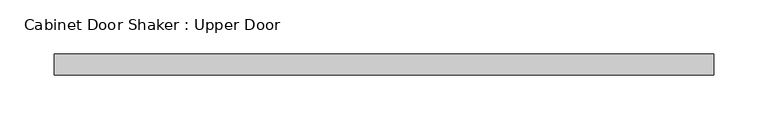
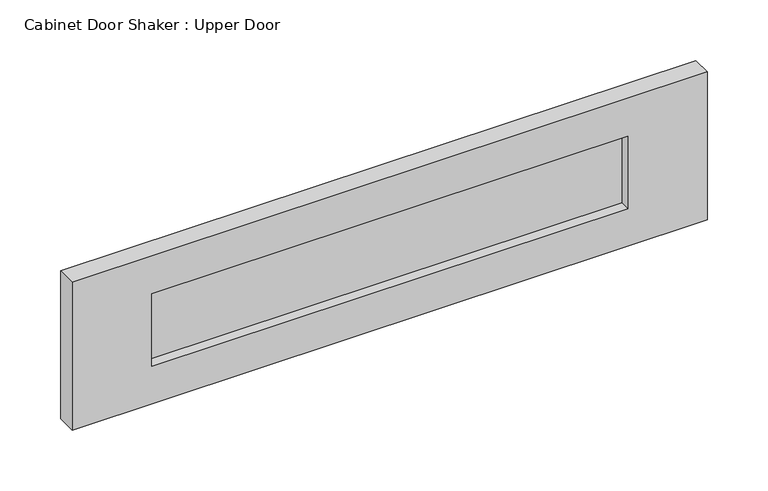
"""IFC4 building model written with IfcOpenShell, lengths in millimetres: proxy geometry, Cabinet Door Shaker : Upper Door."""

from ifc_helpers import new_model, si_unit, frame, origin, place, context, project, spatial, polyline, outline, extrude, source, transform, mapped, element, save


def cabinet_door_shaker_upper_door_07179f4f(model_context):
    return source(origin(), model_context, "Body", "SweptSolid", [
        extrude(outline(polyline([(227.0125, -9.525), (-227.0125, -9.525), (-227.0125, 0.0), (227.0125, 0.0), (227.0125, -9.525)])), frame((0.0, 0.0, 39.6875), z_axis=(0.0, 0.0, 1.0), x_axis=(1.0, 0.0, 0.0)), (0.0, 0.0, 1.0), 73.025),
        extrude(outline(polyline([(150.8125, 303.2125), (150.8125, -303.2125), (1.5875, -303.2125), (1.5875, 303.2125), (150.8125, 303.2125)]), holes=[polyline([(39.6875, 227.0125), (39.6875, -227.0125), (112.7125, -227.0125), (112.7125, 227.0125), (39.6875, 227.0125)])]), frame((0.0, -19.05, 0.0), z_axis=(0.0, 1.0, 0.0), x_axis=(0.0, 0.0, 1.0)), (0.0, 0.0, 1.0), 19.05),
    ])


if __name__ == "__main__":
    model = new_model("IFC4")
    model_context = context("Model", 3, world=origin())
    ifc_project = project(units=[si_unit("LENGTHUNIT", "METRE", prefix="MILLI")], contexts=[model_context])
    site = spatial("IfcSite", under=ifc_project)
    building = spatial("IfcBuilding", under=site)
    placement = place(None, origin())
    cabinet_door_shaker_upper_door_shape = cabinet_door_shaker_upper_door_07179f4f(model_context)
    element("IfcBuildingElementProxy", 1, Name="Cabinet Door Shaker : Upper Door", ObjectType="Cabinet Door Shaker : Upper Door", at=placement, inside=building, context=model_context, shape_type="MappedRepresentation", body=[
        mapped(cabinet_door_shaker_upper_door_shape, transform((0.0, 0.0, 0.0), x_axis=(1.0, 0.0, 0.0), y_axis=(0.0, 1.0, 0.0), z_axis=(0.0, 0.0, 1.0))),
    ])
    save(model, "model.ifc")
